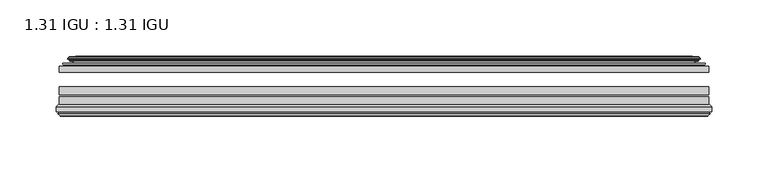
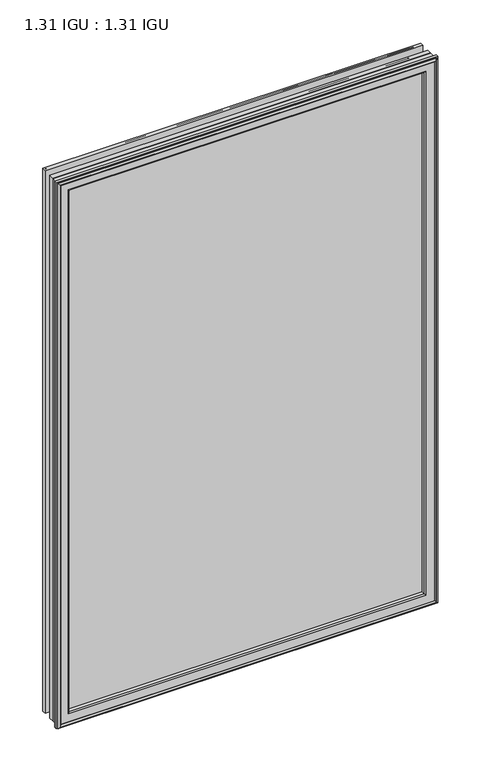
"""IFC4 building model written with IfcOpenShell, lengths in millimetres: plate geometry, 1.31 IGU : 1.31 IGU."""

from ifc_helpers import new_model, si_unit, frame, origin, place, context, project, spatial, polyline, ellipse_curve, outline, extrude, source, transform, mapped, element, save
from ifc_brep_helpers import plane_surface, cylinder_surface, revolved_surface, advanced_brep


def plate_1_31_igu_1_31_igu_8678c117(model_context):
    return source(origin(), model_context, "Body", "SolidModel", [
        extrude(outline(polyline([(287.3331075, -44.8960875), (287.3331075, -50.4332875), (-287.3380426, -50.4332875), (-287.3380426, -44.8960875), (287.3331075, -44.8960875)])), frame((0.0, 0.0, -14.2875), z_axis=(0.0, 0.0, 1.0), x_axis=(1.0, 0.0, 0.0)), (0.0, 0.0, 1.0), 873.1260851),
        extrude(outline(polyline([(-287.3380426, -78.7796875), (-287.3380426, -71.7692875), (287.3331075, -71.7692875), (287.3331075, -78.7796875), (-287.3380426, -78.7796875)])), frame((0.0, 0.0, -14.2875), z_axis=(0.0, 0.0, 1.0), x_axis=(1.0, 0.0, 0.0)), (0.0, 0.0, 1.0), 873.1260851),
        extrude(outline(polyline([(-287.3380426, -70.2452875), (-287.3380426, -63.1332875), (287.3331075, -63.1332875), (287.3331075, -70.2452875), (-287.3380426, -70.2452875)])), frame((0.0, 0.0, -14.2875), z_axis=(0.0, 0.0, 1.0), x_axis=(1.0, 0.0, 0.0)), (0.0, 0.0, 1.0), 873.1260851),
        advanced_brep(
        [(-277.992718, -37.7373382, 849.4932606), (-273.0510851, -36.3108875, 844.5516277), (-273.0510851, -36.3108875, -0.0005426), (-277.992718, -37.7373382, -4.9421755), (-277.8276127, -36.9605789, 849.3281553), (-277.8276127, -36.9605789, -4.7770702), (-278.4230984, -36.4771203, 849.923641), (-278.4230984, -36.4771203, -5.3725559), (-279.6877342, -37.766076, 851.1882768), (-279.6877342, -37.766076, -6.6371917), (-279.6769175, -38.8797852, 851.17746), (-279.6769175, -38.8797852, -6.6263749), (-278.3954323, -40.1361433, 849.8959748), (-278.3954323, -40.1361433, -5.3448897), (-277.7904254, -39.649943, 849.290968), (-277.7904254, -39.649943, -4.7398829), (-278.3444397, -39.0959287, 849.8449823), (-278.3444397, -39.0959287, -5.2938972), (-276.0586313, -38.7029881, 847.5591739), (-276.0586313, -38.7029881, -3.0080887), (-274.5995582, -40.2107282, 846.1001008), (-274.5995582, -40.2107282, -1.5490157), (-274.8961401, -41.651269, 846.3966827), (-274.8961401, -41.651269, -1.8455976), (-275.6673646, -42.2798875, 847.1679072), (-275.6673646, -42.2798875, -2.6168221), (-283.9713409, -43.4871542, 855.4718835), (-283.6961395, -42.2798875, 855.1966821), (-283.6961395, -42.2798875, -10.6455969), (-283.9713409, -43.4871542, -10.9207984), (-280.5137723, -44.8960875, 852.0143149), (-280.5137723, -44.8960875, -7.4632297), (-269.4161485, -44.023302, 840.9166911), (-269.7714864, -44.8960875, 841.272029), (-269.7714864, -44.8960875, 3.2790561), (-269.4161485, -44.023302, 3.6343941), (-270.0873465, -43.3681812, 841.5878891), (-270.0873465, -43.3681812, 2.963196), (-271.7281371, -40.6686056, 843.2286797), (-271.7281371, -40.6686056, 1.3224054), (273.0510851, -36.3108875, -0.0005426), (277.992718, -37.7373382, -4.9421755), (277.8276127, -36.9605789, -4.7770702), (278.4230984, -36.4771203, -5.3725559), (279.6877342, -37.766076, -6.6371917), (279.6769175, -38.8797852, -6.6263749), (278.3954323, -40.1361433, -5.3448897), (277.7904254, -39.649943, -4.7398829), (278.3444397, -39.0959287, -5.2938972), (276.0586313, -38.7029881, -3.0080887), (274.5995582, -40.2107282, -1.5490157), (274.8961401, -41.651269, -1.8455976), (275.6673646, -42.2798875, -2.6168221), (283.6961395, -42.2798875, -10.6455969), (283.9713409, -43.4871542, -10.9207984), (280.5137723, -44.8960875, -7.4632297), (269.7714864, -44.8960875, 3.2790561), (269.4161485, -44.023302, 3.6343941), (270.0873465, -43.3681812, 2.963196), (271.7281371, -40.6686056, 1.3224054), (273.0510851, -36.3108875, 844.5516277), (277.992718, -37.7373382, 849.4932606), (277.8276127, -36.9605789, 849.3281553), (278.4230984, -36.4771203, 849.923641), (279.6877342, -37.766076, 851.1882768), (279.6769175, -38.8797852, 851.17746), (278.3954323, -40.1361433, 849.8959748), (277.7904254, -39.649943, 849.290968), (278.3444397, -39.0959287, 849.8449823), (276.0586313, -38.7029881, 847.5591739), (274.5995582, -40.2107282, 846.1001008), (274.8961401, -41.651269, 846.3966827), (275.6673646, -42.2798875, 847.1679072), (283.6961395, -42.2798875, 855.1966821), (283.9713409, -43.4871542, 855.4718835), (280.5137723, -44.8960875, 852.0143149), (269.7714864, -44.8960875, 841.272029), (269.4161485, -44.023302, 840.9166911), (270.0873465, -43.3681812, 841.5878891), (271.7281371, -40.6686056, 843.2286797)],
        [
            (0, 1),
            (1, 2),
            (2, 3),
            (3, 0),
            (4, 0),
            (3, 5),
            (5, 4),
            (6, 4, ellipse_curve(frame((-278.1481297, -36.746901, 849.6486723), z_axis=(-0.7071067811865475, 0.0, -0.7071067811865475), x_axis=(-0.7071067811865474, 0.0, 0.7071067811865476)), 0.5447741, 0.3852135)),
            (5, 7, ellipse_curve(frame((-278.1481297, -36.746901, -5.0975871), z_axis=(-0.7071067811865475, 0.0, 0.7071067811865475), x_axis=(0.7071067811865474, 0.0, 0.7071067811865476)), 0.5447741, 0.3852135)),
            (7, 6),
            (8, 6),
            (7, 9),
            (9, 8),
            (10, 8, ellipse_curve(frame((-279.1256812, -38.3175243, 850.6262238), z_axis=(-0.7071067811865475, 0.0, -0.7071067811865475), x_axis=(-0.7071067811865474, 0.0, 0.7071067811865476)), 1.1135518, 0.7874)),
            (9, 11, ellipse_curve(frame((-279.1256812, -38.3175243, -6.0751387), z_axis=(-0.7071067811865475, 0.0, 0.7071067811865475), x_axis=(0.7071067811865474, 0.0, 0.7071067811865476)), 1.1135518, 0.7874)),
            (11, 10),
            (12, 10),
            (11, 13),
            (13, 12),
            (14, 12, ellipse_curve(frame((-278.1218348, -39.8570738, 849.6223773), z_axis=(-0.7071067811865475, 0.0, -0.7071067811865475), x_axis=(-0.7071067811865474, 0.0, 0.7071067811865476)), 0.552694, 0.3908137)),
            (13, 15, ellipse_curve(frame((-278.1218348, -39.8570738, -5.0712922), z_axis=(-0.7071067811865475, 0.0, 0.7071067811865475), x_axis=(0.7071067811865474, 0.0, 0.7071067811865476)), 0.552694, 0.3908137)),
            (15, 14),
            (16, 14),
            (15, 17),
            (17, 16),
            (18, 16),
            (17, 19),
            (19, 18),
            (20, 18, ellipse_curve(frame((-275.8434687, -39.954629, 847.3440112), z_axis=(0.7071067811865475, 0.0, 0.7071067811865475), x_axis=(0.7071067811865474, 0.0, -0.7071067811865476)), 1.7960512, 1.27)),
            (19, 21, ellipse_curve(frame((-275.8434687, -39.954629, -2.7929261), z_axis=(0.7071067811865475, 0.0, -0.7071067811865475), x_axis=(-0.7071067811865474, 0.0, -0.7071067811865476)), 1.7960512, 1.27)),
            (21, 20),
            (22, 20),
            (21, 23),
            (23, 22),
            (24, 22, ellipse_curve(frame((-275.6673646, -41.4924875, 847.1679072), z_axis=(0.7071067811865475, 0.0, 0.7071067811865475), x_axis=(0.7071067811865474, 0.0, -0.7071067811865476)), 1.1135518, 0.7874)),
            (23, 25, ellipse_curve(frame((-275.6673646, -41.4924875, -2.6168221), z_axis=(0.7071067811865475, 0.0, -0.7071067811865475), x_axis=(-0.7071067811865474, 0.0, -0.7071067811865476)), 1.1135518, 0.7874)),
            (25, 24),
            (26, 27, ellipse_curve(frame((-283.6961395, -42.9148875, 855.1966821), z_axis=(-0.7071067811865475, 0.0, -0.7071067811865475), x_axis=(-0.7071067811865474, 0.0, 0.7071067811865476)), 0.8980256, 0.635)),
            (27, 28),
            (28, 29, ellipse_curve(frame((-283.6961395, -42.9148875, -10.6455969), z_axis=(-0.7071067811865475, 0.0, 0.7071067811865475), x_axis=(0.7071067811865474, 0.0, 0.7071067811865476)), 0.8980256, 0.635)),
            (29, 26),
            (30, 26),
            (29, 31),
            (31, 30),
            (32, 33, ellipse_curve(frame((-269.7714864, -44.3873602, 841.272029), z_axis=(-0.7071067811865475, 0.0, -0.7071067811865475), x_axis=(-0.7071067811865474, 0.0, 0.7071067811865476)), 0.719449, 0.5087273)),
            (33, 34),
            (34, 35, ellipse_curve(frame((-269.7714864, -44.3873602, 3.2790561), z_axis=(-0.7071067811865475, 0.0, 0.7071067811865475), x_axis=(0.7071067811865474, 0.0, 0.7071067811865476)), 0.719449, 0.5087273)),
            (35, 32),
            (36, 32),
            (35, 37),
            (37, 36),
            (38, 36, ellipse_curve(frame((-265.6519723, -38.823959, 837.1525149), z_axis=(0.7071067811865475, 0.0, 0.7071067811865475), x_axis=(0.7071067811865474, 0.0, -0.7071067811865476)), 8.9802561, 6.35)),
            (37, 39, ellipse_curve(frame((-265.6519723, -38.823959, 7.3985702), z_axis=(0.7071067811865475, 0.0, -0.7071067811865475), x_axis=(-0.7071067811865474, 0.0, -0.7071067811865476)), 8.9802561, 6.35)),
            (39, 38),
            (1, 38),
            (39, 2),
            (2, 40),
            (40, 41),
            (41, 3),
            (41, 42),
            (42, 5),
            (42, 43, ellipse_curve(frame((278.1481297, -36.746901, -5.0975871), z_axis=(-0.7071067811865475, 0.0, -0.7071067811865475), x_axis=(-0.7071067811865476, 0.0, 0.7071067811865474)), 0.5447741, 0.3852135)),
            (43, 7),
            (43, 44),
            (44, 9),
            (44, 45, ellipse_curve(frame((279.1256812, -38.3175243, -6.0751387), z_axis=(-0.7071067811865475, 0.0, -0.7071067811865475), x_axis=(-0.7071067811865476, 0.0, 0.7071067811865474)), 1.1135518, 0.7874)),
            (45, 11),
            (45, 46),
            (46, 13),
            (46, 47, ellipse_curve(frame((278.1218348, -39.8570738, -5.0712922), z_axis=(-0.7071067811865475, 0.0, -0.7071067811865475), x_axis=(-0.7071067811865476, 0.0, 0.7071067811865474)), 0.552694, 0.3908137)),
            (47, 15),
            (47, 48),
            (48, 17),
            (48, 49),
            (49, 19),
            (49, 50, ellipse_curve(frame((275.8434687, -39.954629, -2.7929261), z_axis=(0.7071067811865475, 0.0, 0.7071067811865475), x_axis=(0.7071067811865476, 0.0, -0.7071067811865474)), 1.7960512, 1.27)),
            (50, 21),
            (50, 51),
            (51, 23),
            (51, 52, ellipse_curve(frame((275.6673646, -41.4924875, -2.6168221), z_axis=(0.7071067811865475, 0.0, 0.7071067811865475), x_axis=(0.7071067811865476, 0.0, -0.7071067811865474)), 1.1135518, 0.7874)),
            (52, 25),
            (28, 53),
            (53, 54, ellipse_curve(frame((283.6961395, -42.9148875, -10.6455969), z_axis=(-0.7071067811865475, 0.0, -0.7071067811865475), x_axis=(-0.7071067811865476, 0.0, 0.7071067811865474)), 0.8980256, 0.635)),
            (54, 29),
            (54, 55),
            (55, 31),
            (34, 56),
            (56, 57, ellipse_curve(frame((269.7714864, -44.3873602, 3.2790561), z_axis=(-0.7071067811865475, 0.0, -0.7071067811865475), x_axis=(-0.7071067811865476, 0.0, 0.7071067811865474)), 0.719449, 0.5087273)),
            (57, 35),
            (57, 58),
            (58, 37),
            (58, 59, ellipse_curve(frame((265.6519723, -38.823959, 7.3985702), z_axis=(0.7071067811865475, 0.0, 0.7071067811865475), x_axis=(0.7071067811865476, 0.0, -0.7071067811865474)), 8.9802561, 6.35)),
            (59, 39),
            (59, 40),
            (40, 60),
            (60, 61),
            (61, 41),
            (61, 62),
            (62, 42),
            (62, 63, ellipse_curve(frame((278.1481297, -36.746901, 849.6486723), z_axis=(0.7071067811865475, 0.0, -0.7071067811865475), x_axis=(-0.7071067811865474, 0.0, -0.7071067811865476)), 0.5447741, 0.3852135)),
            (63, 43),
            (63, 64),
            (64, 44),
            (64, 65, ellipse_curve(frame((279.1256812, -38.3175243, 850.6262238), z_axis=(0.7071067811865475, 0.0, -0.7071067811865475), x_axis=(-0.7071067811865474, 0.0, -0.7071067811865476)), 1.1135518, 0.7874)),
            (65, 45),
            (65, 66),
            (66, 46),
            (66, 67, ellipse_curve(frame((278.1218348, -39.8570738, 849.6223773), z_axis=(0.7071067811865475, 0.0, -0.7071067811865475), x_axis=(-0.7071067811865474, 0.0, -0.7071067811865476)), 0.552694, 0.3908137)),
            (67, 47),
            (67, 68),
            (68, 48),
            (68, 69),
            (69, 49),
            (69, 70, ellipse_curve(frame((275.8434687, -39.954629, 847.3440112), z_axis=(-0.7071067811865475, 0.0, 0.7071067811865475), x_axis=(0.7071067811865474, 0.0, 0.7071067811865476)), 1.7960512, 1.27)),
            (70, 50),
            (70, 71),
            (71, 51),
            (71, 72, ellipse_curve(frame((275.6673646, -41.4924875, 847.1679072), z_axis=(-0.7071067811865475, 0.0, 0.7071067811865475), x_axis=(0.7071067811865474, 0.0, 0.7071067811865476)), 1.1135518, 0.7874)),
            (72, 52),
            (53, 73),
            (73, 74, ellipse_curve(frame((283.6961395, -42.9148875, 855.1966821), z_axis=(0.7071067811865475, 0.0, -0.7071067811865475), x_axis=(-0.7071067811865474, 0.0, -0.7071067811865476)), 0.8980256, 0.635)),
            (74, 54),
            (74, 75),
            (75, 55),
            (56, 76),
            (76, 77, ellipse_curve(frame((269.7714864, -44.3873602, 841.272029), z_axis=(0.7071067811865475, 0.0, -0.7071067811865475), x_axis=(-0.7071067811865474, 0.0, -0.7071067811865476)), 0.719449, 0.5087273)),
            (77, 57),
            (77, 78),
            (78, 58),
            (78, 79, ellipse_curve(frame((265.6519723, -38.823959, 837.1525149), z_axis=(-0.7071067811865475, 0.0, 0.7071067811865475), x_axis=(0.7071067811865474, 0.0, 0.7071067811865476)), 8.9802561, 6.35)),
            (79, 59),
            (79, 60),
            (60, 1),
            (0, 61),
            (4, 62),
            (6, 63),
            (8, 64),
            (10, 65),
            (12, 66),
            (14, 67),
            (16, 68),
            (18, 69),
            (20, 70),
            (22, 71),
            (24, 72),
            (27, 73),
            (26, 74),
            (30, 75),
            (33, 76),
            (32, 77),
            (36, 78),
            (38, 79),
        ],
        [
            plane_surface(frame((-273.0510851, -36.3108875, 844.5516277), z_axis=(-0.2773364928492854, 0.9607728502273877, 0.0), x_axis=(0.0, 0.0, -1.0))),
            plane_surface(frame((-277.992718, -37.7373382, 849.4932606), z_axis=(0.9781476007338358, -0.20791169081761768, 0.0), x_axis=(0.0, 0.0, -1.0))),
            cylinder_surface(frame((-278.1481297, -36.746901, 876.3010851), z_axis=(0.0, 0.0, 1.0), x_axis=(-1.0, 0.0, 0.0)), 0.3852135),
            plane_surface(frame((-278.4230984, -36.4771203, 849.923641), z_axis=(-0.7138087599382162, 0.7003406701280928, 0.0), x_axis=(0.0, 0.0, -1.0))),
            cylinder_surface(frame((-279.1256812, -38.3175243, 876.3010851), z_axis=(0.0, 0.0, 1.0), x_axis=(-1.0, 0.0, 0.0)), 0.7874),
            plane_surface(frame((-279.6769175, -38.8797852, 851.17746), z_axis=(-0.7000714109283732, -0.7140728391423082, 0.0), x_axis=(0.0, 0.0, -1.0))),
            cylinder_surface(frame((-278.1218348, -39.8570738, 876.3010851), z_axis=(0.0, 0.0, 1.0), x_axis=(-1.0, 0.0, 0.0)), 0.3908137),
            plane_surface(frame((-277.7904254, -39.649943, 849.290968), z_axis=(0.7071067811861126, 0.7071067811869826, 0.0), x_axis=(0.0, 0.0, -1.0))),
            plane_surface(frame((-278.3444397, -39.0959287, 849.8449823), z_axis=(0.16941940671011485, -0.9855440449974789, 0.0), x_axis=(0.0, 0.0, -1.0))),
            revolved_surface(polyline([(-277.1134687, -39.954629, -4.0629260828783345), (-277.1134687, -39.954629, 848.6140111828782)]), (-275.8434687, -39.954629, 876.3010851), (0.0, 0.0, -1.0)),
            plane_surface(frame((-274.5995582, -40.2107282, 846.1001008), z_axis=(-0.9794570432566897, 0.201652920670302, 0.0), x_axis=(0.0, 0.0, -1.0))),
            revolved_surface(polyline([(-276.4547646, -41.4924875, -3.4042221289824965), (-276.4547646, -41.4924875, 847.9553072289824)]), (-275.6673646, -41.4924875, 876.3010851), (0.0, 0.0, -1.0)),
            cylinder_surface(frame((-283.6961395, -42.9148875, 876.3010851), z_axis=(0.0, 0.0, 1.0), x_axis=(-1.0, 0.0, 0.0)), 0.635),
            plane_surface(frame((-283.9713409, -43.4871542, 855.4718835), z_axis=(-0.37736447542757934, -0.9260648209954139, 0.0), x_axis=(0.0, 0.0, -1.0))),
            cylinder_surface(frame((-269.7714864, -44.3873602, 876.3010851), z_axis=(0.0, 0.0, 1.0), x_axis=(-1.0, 0.0, 0.0)), 0.5087273),
            plane_surface(frame((-269.4161485, -44.023302, 840.9166911), z_axis=(0.698484125849927, 0.7156255486884628, 0.0), x_axis=(0.0, 0.0, -1.0))),
            revolved_surface(polyline([(-272.00197230000003, -38.823959, 1.0485702148981773), (-272.00197230000003, -38.823959, 843.5025148851018)]), (-265.6519723, -38.823959, 876.3010851), (0.0, 0.0, -1.0)),
            plane_surface(frame((-271.7281371, -40.6686056, 843.2286797), z_axis=(0.9568763473517009, 0.2904955350411896, 0.0), x_axis=(0.0, 0.0, -1.0))),
            plane_surface(frame((-273.0510851, -36.3108875, -0.0005426), z_axis=(0.0, 0.9607728502273868, -0.2773364928492885), x_axis=(1.0, 0.0, 0.0))),
            plane_surface(frame((-277.992718, -37.7373382, -4.9421755), z_axis=(0.0, -0.20791169081761454, 0.9781476007338364), x_axis=(1.0, 0.0, 0.0))),
            cylinder_surface(frame((-304.8005426, -36.746901, -5.0975871), z_axis=(-1.0, 0.0, 0.0), x_axis=(0.0, 0.0, -1.0)), 0.3852135),
            plane_surface(frame((-278.4230984, -36.4771203, -5.3725559), z_axis=(0.0, 0.7003406701280904, -0.7138087599382185), x_axis=(1.0, 0.0, 0.0))),
            cylinder_surface(frame((-304.8005426, -38.3175243, -6.0751387), z_axis=(-1.0, 0.0, 0.0), x_axis=(0.0, 0.0, -1.0)), 0.7874),
            plane_surface(frame((-279.6769175, -38.8797852, -6.6263749), z_axis=(0.0, -0.7140728391423105, -0.7000714109283709), x_axis=(1.0, 0.0, 0.0))),
            cylinder_surface(frame((-304.8005426, -39.8570738, -5.0712922), z_axis=(-1.0, 0.0, 0.0), x_axis=(0.0, 0.0, -1.0)), 0.3908137),
            plane_surface(frame((-277.7904254, -39.649943, -4.7398829), z_axis=(0.0, 0.7071067811869849, 0.7071067811861103), x_axis=(1.0, 0.0, 0.0))),
            plane_surface(frame((-278.3444397, -39.0959287, -5.2938972), z_axis=(0.0, -0.9855440449974784, 0.16941940671011801), x_axis=(1.0, 0.0, 0.0))),
            revolved_surface(polyline([(277.11346868287836, -39.954629, -4.0629261), (-277.11346868287825, -39.954629, -4.0629261)]), (-304.8005426, -39.954629, -2.7929261), (1.0, 0.0, 0.0)),
            plane_surface(frame((-274.5995582, -40.2107282, -1.5490157), z_axis=(0.0, 0.20165292067029883, -0.9794570432566904), x_axis=(1.0, 0.0, 0.0))),
            revolved_surface(polyline([(276.45476462898245, -41.4924875, -3.4042220999999997), (-276.45476462898245, -41.4924875, -3.4042220999999997)]), (-304.8005426, -41.4924875, -2.6168221), (1.0, 0.0, 0.0)),
            cylinder_surface(frame((-304.8005426, -42.9148875, -10.6455969), z_axis=(-1.0, 0.0, 0.0), x_axis=(0.0, 0.0, -1.0)), 0.635),
            plane_surface(frame((-283.9713409, -43.4871542, -10.9207984), z_axis=(0.0, -0.9260648209954151, -0.37736447542757634), x_axis=(1.0, 0.0, 0.0))),
            cylinder_surface(frame((-304.8005426, -44.3873602, 3.2790561), z_axis=(-1.0, 0.0, 0.0), x_axis=(0.0, 0.0, -1.0)), 0.5087273),
            plane_surface(frame((-269.4161485, -44.023302, 3.6343941), z_axis=(0.0, 0.7156255486884651, 0.6984841258499247), x_axis=(1.0, 0.0, 0.0))),
            revolved_surface(polyline([(272.0019722851019, -38.823959, 1.0485702000000003), (-272.0019722851019, -38.823959, 1.0485702000000003)]), (-304.8005426, -38.823959, 7.3985702), (1.0, 0.0, 0.0)),
            plane_surface(frame((-271.7281371, -40.6686056, 1.3224054), z_axis=(0.0, 0.29049553504119263, 0.9568763473517), x_axis=(1.0, 0.0, 0.0))),
            plane_surface(frame((273.0510851, -36.3108875, -0.0005426), z_axis=(0.2773364928492916, 0.9607728502273859, 0.0), x_axis=(0.0, 0.0, 1.0))),
            plane_surface(frame((277.992718, -37.7373382, -4.9421755), z_axis=(-0.9781476007338371, -0.2079116908176114, 0.0), x_axis=(0.0, 0.0, 1.0))),
            cylinder_surface(frame((278.1481297, -36.746901, -31.75), z_axis=(0.0, 0.0, -1.0), x_axis=(1.0, 0.0, 0.0)), 0.3852135),
            plane_surface(frame((278.4230984, -36.4771203, -5.3725559), z_axis=(0.7138087599382208, 0.7003406701280882, 0.0), x_axis=(0.0, 0.0, 1.0))),
            cylinder_surface(frame((279.1256812, -38.3175243, -31.75), z_axis=(0.0, 0.0, -1.0), x_axis=(1.0, 0.0, 0.0)), 0.7874),
            plane_surface(frame((279.6769175, -38.8797852, -6.6263749), z_axis=(0.7000714109283687, -0.7140728391423128, 0.0), x_axis=(0.0, 0.0, 1.0))),
            cylinder_surface(frame((278.1218348, -39.8570738, -31.75), z_axis=(0.0, 0.0, -1.0), x_axis=(1.0, 0.0, 0.0)), 0.3908137),
            plane_surface(frame((277.7904254, -39.649943, -4.7398829), z_axis=(-0.7071067811861079, 0.7071067811869872, 0.0), x_axis=(0.0, 0.0, 1.0))),
            plane_surface(frame((278.3444397, -39.0959287, -5.2938972), z_axis=(-0.16941940671012118, -0.9855440449974778, 0.0), x_axis=(0.0, 0.0, 1.0))),
            revolved_surface(polyline([(277.1134687, -39.954629, 848.6140111828782), (277.1134687, -39.954629, -4.062926082878235)]), (275.8434687, -39.954629, -31.75), (0.0, 0.0, 1.0)),
            plane_surface(frame((274.5995582, -40.2107282, -1.5490157), z_axis=(0.979457043256691, 0.20165292067029567, 0.0), x_axis=(0.0, 0.0, 1.0))),
            revolved_surface(polyline([(276.4547646, -41.4924875, 847.9553072289824), (276.4547646, -41.4924875, -3.404222128982486)]), (275.6673646, -41.4924875, -31.75), (0.0, 0.0, 1.0)),
            cylinder_surface(frame((283.6961395, -42.9148875, -31.75), z_axis=(0.0, 0.0, -1.0), x_axis=(1.0, 0.0, 0.0)), 0.635),
            plane_surface(frame((283.9713409, -43.4871542, -10.9207984), z_axis=(0.37736447542757334, -0.9260648209954163, 0.0), x_axis=(0.0, 0.0, 1.0))),
            cylinder_surface(frame((269.7714864, -44.3873602, -31.75), z_axis=(0.0, 0.0, -1.0), x_axis=(1.0, 0.0, 0.0)), 0.5087273),
            plane_surface(frame((269.4161485, -44.023302, 3.6343941), z_axis=(-0.6984841258499224, 0.7156255486884673, 0.0), x_axis=(0.0, 0.0, 1.0))),
            revolved_surface(polyline([(272.00197230000003, -38.823959, 843.5025148851018), (272.00197230000003, -38.823959, 1.0485702148981417)]), (265.6519723, -38.823959, -31.75), (0.0, 0.0, 1.0)),
            plane_surface(frame((271.7281371, -40.6686056, 1.3224054), z_axis=(-0.9568763473516991, 0.2904955350411957, 0.0), x_axis=(0.0, 0.0, 1.0))),
            plane_surface(frame((273.0510851, -36.3108875, 844.5516277), z_axis=(0.0, 0.9607728502273868, 0.2773364928492885), x_axis=(-1.0, 0.0, 0.0))),
            plane_surface(frame((277.992718, -37.7373382, 849.4932606), z_axis=(0.0, -0.20791169081761454, -0.9781476007338364), x_axis=(-1.0, 0.0, 0.0))),
            cylinder_surface(frame((304.8005426, -36.746901, 849.6486723), z_axis=(1.0, 0.0, 0.0), x_axis=(0.0, 0.0, 1.0)), 0.3852135),
            plane_surface(frame((278.4230984, -36.4771203, 849.923641), z_axis=(0.0, 0.7003406701280904, 0.7138087599382185), x_axis=(-1.0, 0.0, 0.0))),
            cylinder_surface(frame((304.8005426, -38.3175243, 850.6262238), z_axis=(1.0, 0.0, 0.0), x_axis=(0.0, 0.0, 1.0)), 0.7874),
            plane_surface(frame((279.6769175, -38.8797852, 851.17746), z_axis=(0.0, -0.7140728391423106, 0.700071410928371), x_axis=(-1.0, 0.0, 0.0))),
            cylinder_surface(frame((304.8005426, -39.8570738, 849.6223773), z_axis=(1.0, 0.0, 0.0), x_axis=(0.0, 0.0, 1.0)), 0.3908137),
            plane_surface(frame((277.7904254, -39.649943, 849.290968), z_axis=(0.0, 0.7071067811869849, -0.7071067811861103), x_axis=(-1.0, 0.0, 0.0))),
            plane_surface(frame((278.3444397, -39.0959287, 849.8449823), z_axis=(0.0, -0.9855440449974784, -0.16941940671011801), x_axis=(-1.0, 0.0, 0.0))),
            revolved_surface(polyline([(-277.11346868287836, -39.954629, 848.6140111999999), (277.11346868287825, -39.954629, 848.6140111999999)]), (304.8005426, -39.954629, 847.3440112), (-1.0, 0.0, 0.0)),
            plane_surface(frame((274.5995582, -40.2107282, 846.1001008), z_axis=(0.0, 0.20165292067029883, 0.9794570432566904), x_axis=(-1.0, 0.0, 0.0))),
            revolved_surface(polyline([(-276.45476462898245, -41.4924875, 847.9553072), (276.45476462898245, -41.4924875, 847.9553072)]), (304.8005426, -41.4924875, 847.1679072), (-1.0, 0.0, 0.0)),
            plane_surface(frame((275.6673646, -42.2798875, 847.1679072), z_axis=(0.0, 1.0, 0.0), x_axis=(-1.0, 0.0, 0.0))),
            cylinder_surface(frame((304.8005426, -42.9148875, 855.1966821), z_axis=(1.0, 0.0, 0.0), x_axis=(0.0, 0.0, 1.0)), 0.635),
            plane_surface(frame((283.9713409, -43.4871542, 855.4718835), z_axis=(0.0, -0.9260648209954151, 0.37736447542757634), x_axis=(-1.0, 0.0, 0.0))),
            plane_surface(frame((280.5137723, -44.8960875, 852.0143149), z_axis=(0.0, -1.0, 0.0), x_axis=(-1.0, 0.0, 0.0))),
            cylinder_surface(frame((304.8005426, -44.3873602, 841.272029), z_axis=(1.0, 0.0, 0.0), x_axis=(0.0, 0.0, 1.0)), 0.5087273),
            plane_surface(frame((269.4161485, -44.023302, 840.9166911), z_axis=(0.0, 0.7156255486884651, -0.6984841258499247), x_axis=(-1.0, 0.0, 0.0))),
            revolved_surface(polyline([(-272.0019722851019, -38.823959, 843.5025149), (272.0019722851019, -38.823959, 843.5025149)]), (304.8005426, -38.823959, 837.1525149), (-1.0, 0.0, 0.0)),
            plane_surface(frame((271.7281371, -40.6686056, 843.2286797), z_axis=(0.0, 0.29049553504119263, -0.9568763473517), x_axis=(-1.0, 0.0, 0.0))),
        ],
        [
            (0, [[1, 2, 3, 4]]),
            (1, [[5, -4, 6, 7]]),
            (2, [[8, -7, 9, 10]]),
            (3, [[11, -10, 12, 13]]),
            (4, [[14, -13, 15, 16]]),
            (5, [[17, -16, 18, 19]]),
            (6, [[20, -19, 21, 22]]),
            (7, [[23, -22, 24, 25]]),
            (8, [[26, -25, 27, 28]]),
            (9, [[29, -28, 30, 31]]),
            (10, [[32, -31, 33, 34]]),
            (11, [[35, -34, 36, 37]]),
            (12, [[38, 39, 40, 41]]),
            (13, [[42, -41, 43, 44]]),
            (14, [[45, 46, 47, 48]]),
            (15, [[49, -48, 50, 51]]),
            (16, [[52, -51, 53, 54]]),
            (17, [[55, -54, 56, -2]]),
            (18, [[-3, 57, 58, 59]]),
            (19, [[-6, -59, 60, 61]]),
            (20, [[-9, -61, 62, 63]]),
            (21, [[-12, -63, 64, 65]]),
            (22, [[-15, -65, 66, 67]]),
            (23, [[-18, -67, 68, 69]]),
            (24, [[-21, -69, 70, 71]]),
            (25, [[-24, -71, 72, 73]]),
            (26, [[-27, -73, 74, 75]]),
            (27, [[-30, -75, 76, 77]]),
            (28, [[-33, -77, 78, 79]]),
            (29, [[-36, -79, 80, 81]]),
            (30, [[-40, 82, 83, 84]]),
            (31, [[-43, -84, 85, 86]]),
            (32, [[-47, 87, 88, 89]]),
            (33, [[-50, -89, 90, 91]]),
            (34, [[-53, -91, 92, 93]]),
            (35, [[-56, -93, 94, -57]]),
            (36, [[-58, 95, 96, 97]]),
            (37, [[-60, -97, 98, 99]]),
            (38, [[-62, -99, 100, 101]]),
            (39, [[-64, -101, 102, 103]]),
            (40, [[-66, -103, 104, 105]]),
            (41, [[-68, -105, 106, 107]]),
            (42, [[-70, -107, 108, 109]]),
            (43, [[-72, -109, 110, 111]]),
            (44, [[-74, -111, 112, 113]]),
            (45, [[-76, -113, 114, 115]]),
            (46, [[-78, -115, 116, 117]]),
            (47, [[-80, -117, 118, 119]]),
            (48, [[-83, 120, 121, 122]]),
            (49, [[-85, -122, 123, 124]]),
            (50, [[-88, 125, 126, 127]]),
            (51, [[-90, -127, 128, 129]]),
            (52, [[-92, -129, 130, 131]]),
            (53, [[-94, -131, 132, -95]]),
            (54, [[-96, 133, -1, 134]]),
            (55, [[-98, -134, -5, 135]]),
            (56, [[-100, -135, -8, 136]]),
            (57, [[-102, -136, -11, 137]]),
            (58, [[-104, -137, -14, 138]]),
            (59, [[-106, -138, -17, 139]]),
            (60, [[-108, -139, -20, 140]]),
            (61, [[-110, -140, -23, 141]]),
            (62, [[-112, -141, -26, 142]]),
            (63, [[-114, -142, -29, 143]]),
            (64, [[-116, -143, -32, 144]]),
            (65, [[-118, -144, -35, 145]]),
            (66, [[146, -120, -82, -39], [-81, -119, -145, -37]]),
            (67, [[-121, -146, -38, 147]]),
            (68, [[-123, -147, -42, 148]]),
            (69, [[-86, -124, -148, -44], [149, -125, -87, -46]]),
            (70, [[-126, -149, -45, 150]]),
            (71, [[-128, -150, -49, 151]]),
            (72, [[-130, -151, -52, 152]]),
            (73, [[-132, -152, -55, -133]]),
        ],
    ),
        advanced_brep(
        [(-270.3629919, -83.3389875, 841.8635345), (-272.1380581, -85.1296875, 843.6386006), (-272.1380581, -85.1296875, 0.9124845), (-270.3629919, -83.3389875, 2.6875506), (-269.3397827, -78.7796875, 840.8403253), (-269.3397827, -78.7796875, 3.7107599), (-289.9204917, -80.9740477, 861.4210342), (-287.7261314, -78.7796875, 859.226674), (-287.7261314, -78.7796875, -14.6755889), (-289.9204917, -80.9740477, -16.8699491), (-289.9204917, -85.1296875, 861.4210342), (-289.9204917, -85.1296875, -16.8699491), (-287.3954315, -86.3747112, 858.895974), (-288.1466585, -85.1296875, 859.647201), (-288.1466585, -85.1296875, -15.0961159), (-287.3954315, -86.3747112, -14.3448889), (-287.0859024, -87.6502863, 858.5864449), (-287.0859024, -87.6502863, -14.0353598), (-288.1040158, -87.2076396, 859.6045583), (-288.1040158, -87.2076396, -15.0534732), (-286.4170264, -88.8840626, 857.917569), (-288.8987258, -87.2076396, 860.3992684), (-288.8987258, -87.2076396, -15.8481832), (-286.4170264, -88.8840626, -13.3664838), (-284.265201, -86.9401656, 855.7657436), (-284.265201, -86.9401656, -11.2146584), (-285.9725552, -87.5528811, 857.4730977), (-285.046774, -86.9401656, 856.5473166), (-285.046774, -86.9401656, -11.9962314), (-285.9725552, -87.5528811, -12.9220126), (-285.8892298, -86.2429356, 857.3897724), (-285.8892298, -86.2429356, -12.8386873), (-285.2909918, -85.1296875, 856.7915344), (-285.2909918, -85.1296875, -12.2404492), (272.1380581, -85.1296875, 0.9124845), (270.3629919, -83.3389875, 2.6875506), (269.3397827, -78.7796875, 3.7107599), (287.7261314, -78.7796875, -14.6755889), (289.9204917, -80.9740477, -16.8699491), (289.9204917, -85.1296875, -16.8699491), (288.1466585, -85.1296875, -15.0961159), (287.3954315, -86.3747112, -14.3448889), (287.0859024, -87.6502863, -14.0353598), (288.1040158, -87.2076396, -15.0534732), (288.8987258, -87.2076396, -15.8481832), (286.4170264, -88.8840626, -13.3664838), (284.265201, -86.9401656, -11.2146584), (285.046774, -86.9401656, -11.9962314), (285.9725552, -87.5528811, -12.9220126), (285.8892298, -86.2429356, -12.8386873), (285.2909918, -85.1296875, -12.2404492), (272.1380581, -85.1296875, 843.6386006), (270.3629919, -83.3389875, 841.8635345), (269.3397827, -78.7796875, 840.8403253), (287.7261314, -78.7796875, 859.226674), (289.9204917, -80.9740477, 861.4210342), (289.9204917, -85.1296875, 861.4210342), (288.1466585, -85.1296875, 859.647201), (287.3954315, -86.3747112, 858.895974), (287.0859024, -87.6502863, 858.5864449), (288.1040158, -87.2076396, 859.6045583), (288.8987258, -87.2076396, 860.3992684), (286.4170264, -88.8840626, 857.917569), (284.265201, -86.9401656, 855.7657436), (285.046774, -86.9401656, 856.5473166), (285.9725552, -87.5528811, 857.4730977), (285.8892298, -86.2429356, 857.3897724), (285.2909918, -85.1296875, 856.7915344)],
        [
            (0, 1, ellipse_curve(frame((-272.3894931, -83.1053133, 843.8900356), z_axis=(-0.7071067811865475, 0.0, -0.7071067811865475), x_axis=(-0.7071067811865474, 0.0, 0.7071067811865476)), 2.8848953, 2.039929)),
            (1, 2),
            (2, 3, ellipse_curve(frame((-272.3894931, -83.1053133, 0.6610495), z_axis=(-0.7071067811865475, 0.0, 0.7071067811865475), x_axis=(0.7071067811865474, 0.0, 0.7071067811865476)), 2.8848953, 2.039929)),
            (3, 0),
            (4, 0),
            (3, 5),
            (5, 4),
            (6, 7),
            (7, 8),
            (8, 9),
            (9, 6),
            (10, 6),
            (9, 11),
            (11, 10),
            (12, 13),
            (13, 14),
            (14, 15),
            (15, 12),
            (16, 12),
            (15, 17),
            (17, 16),
            (18, 16),
            (17, 19),
            (19, 18),
            (20, 21),
            (21, 22),
            (22, 23),
            (23, 20),
            (24, 20),
            (23, 25),
            (25, 24),
            (26, 27),
            (27, 28),
            (28, 29),
            (29, 26),
            (30, 26),
            (29, 31),
            (31, 30),
            (32, 30),
            (31, 33),
            (33, 32),
            (2, 34),
            (34, 35, ellipse_curve(frame((272.3894931, -83.1053133, 0.6610495), z_axis=(-0.7071067811865475, 0.0, -0.7071067811865475), x_axis=(-0.7071067811865476, 0.0, 0.7071067811865474)), 2.8848953, 2.039929)),
            (35, 3),
            (35, 36),
            (36, 5),
            (8, 37),
            (37, 38),
            (38, 9),
            (38, 39),
            (39, 11),
            (14, 40),
            (40, 41),
            (41, 15),
            (41, 42),
            (42, 17),
            (42, 43),
            (43, 19),
            (22, 44),
            (44, 45),
            (45, 23),
            (45, 46),
            (46, 25),
            (28, 47),
            (47, 48),
            (48, 29),
            (48, 49),
            (49, 31),
            (49, 50),
            (50, 33),
            (34, 51),
            (51, 52, ellipse_curve(frame((272.3894931, -83.1053133, 843.8900356), z_axis=(0.7071067811865475, 0.0, -0.7071067811865475), x_axis=(-0.7071067811865474, 0.0, -0.7071067811865476)), 2.8848953, 2.039929)),
            (52, 35),
            (52, 53),
            (53, 36),
            (37, 54),
            (54, 55),
            (55, 38),
            (55, 56),
            (56, 39),
            (40, 57),
            (57, 58),
            (58, 41),
            (58, 59),
            (59, 42),
            (59, 60),
            (60, 43),
            (44, 61),
            (61, 62),
            (62, 45),
            (62, 63),
            (63, 46),
            (47, 64),
            (64, 65),
            (65, 48),
            (65, 66),
            (66, 49),
            (66, 67),
            (67, 50),
            (51, 1),
            (0, 52),
            (4, 53),
            (7, 54),
            (6, 55),
            (10, 56),
            (13, 57),
            (12, 58),
            (16, 59),
            (18, 60),
            (21, 61),
            (20, 62),
            (24, 63),
            (27, 64),
            (26, 65),
            (30, 66),
            (32, 67),
        ],
        [
            cylinder_surface(frame((-272.3894931, -83.1053133, 876.3010851), z_axis=(0.0, 0.0, 1.0), x_axis=(-1.0, 0.0, 0.0)), 2.039929),
            plane_surface(frame((-270.3629919, -83.3389875, 841.8635345), z_axis=(0.9757302952562701, -0.21897577701451848, 0.0), x_axis=(0.0, 0.0, -1.0))),
            plane_surface(frame((-287.7261314, -78.7796875, 859.226674), z_axis=(-0.7071067811871722, 0.7071067811859229, 0.0), x_axis=(0.0, 0.0, -1.0))),
            plane_surface(frame((-289.9204917, -80.9740477, 861.4210342), z_axis=(-1.0, 0.0, 0.0), x_axis=(0.0, 0.0, -1.0))),
            plane_surface(frame((-288.1466585, -85.1296875, 859.647201), z_axis=(-0.8562121193263807, -0.516624434883434, 0.0), x_axis=(0.0, 0.0, -1.0))),
            plane_surface(frame((-287.3954315, -86.3747112, 858.895974), z_axis=(-0.9717979666139347, -0.23581499546259124, 0.0), x_axis=(0.0, 0.0, -1.0))),
            plane_surface(frame((-287.0859024, -87.6502863, 858.5864449), z_axis=(0.3987175451776161, 0.9170737806564615, 0.0), x_axis=(0.0, 0.0, -1.0))),
            plane_surface(frame((-288.8987258, -87.2076396, 860.3992684), z_axis=(-0.5597655002239059, -0.8286510633306884, 0.0), x_axis=(0.0, 0.0, -1.0))),
            plane_surface(frame((-286.4170264, -88.8840626, 857.917569), z_axis=(0.6703456526761111, -0.7420489916024674, 0.0), x_axis=(0.0, 0.0, -1.0))),
            plane_surface(frame((-285.046774, -86.9401656, 856.5473166), z_axis=(-0.5519083205498945, 0.8339047941508642, 0.0), x_axis=(0.0, 0.0, -1.0))),
            plane_surface(frame((-285.9725552, -87.5528811, 857.4730977), z_axis=(0.9979830161114805, -0.06348148984572212, 0.0), x_axis=(0.0, 0.0, -1.0))),
            plane_surface(frame((-285.8892298, -86.2429356, 857.3897724), z_axis=(0.8808682216207324, -0.47336157019632297, 0.0), x_axis=(0.0, 0.0, -1.0))),
            cylinder_surface(frame((-304.8005426, -83.1053133, 0.6610495), z_axis=(-1.0, 0.0, 0.0), x_axis=(0.0, 0.0, -1.0)), 2.039929),
            plane_surface(frame((-270.3629919, -83.3389875, 2.6875506), z_axis=(0.0, -0.21897577701451534, 0.9757302952562708), x_axis=(1.0, 0.0, 0.0))),
            plane_surface(frame((-287.7261314, -78.7796875, -14.6755889), z_axis=(0.0, 0.7071067811859205, -0.7071067811871745), x_axis=(1.0, 0.0, 0.0))),
            plane_surface(frame((-289.9204917, -80.9740477, -16.8699491), z_axis=(0.0, 0.0, -1.0), x_axis=(1.0, 0.0, 0.0))),
            plane_surface(frame((-288.1466585, -85.1296875, -15.0961159), z_axis=(0.0, -0.5166244348834368, -0.8562121193263791), x_axis=(1.0, 0.0, 0.0))),
            plane_surface(frame((-287.3954315, -86.3747112, -14.3448889), z_axis=(0.0, -0.23581499546259438, -0.9717979666139339), x_axis=(1.0, 0.0, 0.0))),
            plane_surface(frame((-287.0859024, -87.6502863, -14.0353598), z_axis=(0.0, 0.9170737806564628, 0.39871754517761315), x_axis=(1.0, 0.0, 0.0))),
            plane_surface(frame((-288.8987258, -87.2076396, -15.8481832), z_axis=(0.0, -0.8286510633306902, -0.5597655002239033), x_axis=(1.0, 0.0, 0.0))),
            plane_surface(frame((-286.4170264, -88.8840626, -13.3664838), z_axis=(0.0, -0.7420489916024653, 0.6703456526761136), x_axis=(1.0, 0.0, 0.0))),
            plane_surface(frame((-285.046774, -86.9401656, -11.9962314), z_axis=(0.0, 0.8339047941508624, -0.5519083205498971), x_axis=(1.0, 0.0, 0.0))),
            plane_surface(frame((-285.9725552, -87.5528811, -12.9220126), z_axis=(0.0, -0.0634814898457189, 0.9979830161114808), x_axis=(1.0, 0.0, 0.0))),
            plane_surface(frame((-285.8892298, -86.2429356, -12.8386873), z_axis=(0.0, -0.47336157019632014, 0.880868221620734), x_axis=(1.0, 0.0, 0.0))),
            cylinder_surface(frame((272.3894931, -83.1053133, -31.75), z_axis=(0.0, 0.0, -1.0), x_axis=(1.0, 0.0, 0.0)), 2.039929),
            plane_surface(frame((270.3629919, -83.3389875, 2.6875506), z_axis=(-0.9757302952562714, -0.2189757770145122, 0.0), x_axis=(0.0, 0.0, 1.0))),
            plane_surface(frame((287.7261314, -78.7796875, -14.6755889), z_axis=(0.7071067811871768, 0.7071067811859182, 0.0), x_axis=(0.0, 0.0, 1.0))),
            plane_surface(frame((289.9204917, -80.9740477, -16.8699491), z_axis=(1.0, 0.0, 0.0), x_axis=(0.0, 0.0, 1.0))),
            plane_surface(frame((288.1466585, -85.1296875, -15.0961159), z_axis=(0.8562121193263774, -0.5166244348834396, 0.0), x_axis=(0.0, 0.0, 1.0))),
            plane_surface(frame((287.3954315, -86.3747112, -14.3448889), z_axis=(0.9717979666139331, -0.23581499546259752, 0.0), x_axis=(0.0, 0.0, 1.0))),
            plane_surface(frame((287.0859024, -87.6502863, -14.0353598), z_axis=(-0.3987175451776102, 0.9170737806564642, 0.0), x_axis=(0.0, 0.0, 1.0))),
            plane_surface(frame((288.8987258, -87.2076396, -15.8481832), z_axis=(0.5597655002239006, -0.8286510633306919, 0.0), x_axis=(0.0, 0.0, 1.0))),
            plane_surface(frame((286.4170264, -88.8840626, -13.3664838), z_axis=(-0.6703456526761159, -0.7420489916024631, 0.0), x_axis=(0.0, 0.0, 1.0))),
            plane_surface(frame((285.046774, -86.9401656, -11.9962314), z_axis=(0.5519083205498998, 0.8339047941508606, 0.0), x_axis=(0.0, 0.0, 1.0))),
            plane_surface(frame((285.9725552, -87.5528811, -12.9220126), z_axis=(-0.997983016111481, -0.06348148984571568, 0.0), x_axis=(0.0, 0.0, 1.0))),
            plane_surface(frame((285.8892298, -86.2429356, -12.8386873), z_axis=(-0.8808682216207355, -0.4733615701963173, 0.0), x_axis=(0.0, 0.0, 1.0))),
            cylinder_surface(frame((304.8005426, -83.1053133, 843.8900356), z_axis=(1.0, 0.0, 0.0), x_axis=(0.0, 0.0, 1.0)), 2.039929),
            plane_surface(frame((270.3629919, -83.3389875, 841.8635345), z_axis=(0.0, -0.21897577701451534, -0.9757302952562708), x_axis=(-1.0, 0.0, 0.0))),
            plane_surface(frame((269.3397827, -78.7796875, 840.8403253), z_axis=(0.0, 1.0, 0.0), x_axis=(-1.0, 0.0, 0.0))),
            plane_surface(frame((287.7261314, -78.7796875, 859.226674), z_axis=(0.0, 0.7071067811859205, 0.7071067811871745), x_axis=(-1.0, 0.0, 0.0))),
            plane_surface(frame((289.9204917, -80.9740477, 861.4210342), z_axis=(0.0, 0.0, 1.0), x_axis=(-1.0, 0.0, 0.0))),
            plane_surface(frame((289.9204917, -85.1296875, 861.4210342), z_axis=(0.0, -1.0, 0.0), x_axis=(-1.0, 0.0, 0.0))),
            plane_surface(frame((288.1466585, -85.1296875, 859.647201), z_axis=(0.0, -0.5166244348834368, 0.8562121193263791), x_axis=(-1.0, 0.0, 0.0))),
            plane_surface(frame((287.3954315, -86.3747112, 858.895974), z_axis=(0.0, -0.23581499546259438, 0.9717979666139339), x_axis=(-1.0, 0.0, 0.0))),
            plane_surface(frame((287.0859024, -87.6502863, 858.5864449), z_axis=(0.0, 0.9170737806564628, -0.39871754517761315), x_axis=(-1.0, 0.0, 0.0))),
            plane_surface(frame((288.1040158, -87.2076396, 859.6045583), z_axis=(0.0, 1.0, 0.0), x_axis=(-1.0, 0.0, 0.0))),
            plane_surface(frame((288.8987258, -87.2076396, 860.3992684), z_axis=(0.0, -0.8286510633306902, 0.5597655002239033), x_axis=(-1.0, 0.0, 0.0))),
            plane_surface(frame((286.4170264, -88.8840626, 857.917569), z_axis=(0.0, -0.7420489916024652, -0.6703456526761135), x_axis=(-1.0, 0.0, 0.0))),
            plane_surface(frame((284.265201, -86.9401656, 855.7657436), z_axis=(0.0, 1.0, 0.0), x_axis=(-1.0, 0.0, 0.0))),
            plane_surface(frame((285.046774, -86.9401656, 856.5473166), z_axis=(0.0, 0.8339047941508624, 0.5519083205498971), x_axis=(-1.0, 0.0, 0.0))),
            plane_surface(frame((285.9725552, -87.5528811, 857.4730977), z_axis=(0.0, -0.0634814898457189, -0.9979830161114808), x_axis=(-1.0, 0.0, 0.0))),
            plane_surface(frame((285.8892298, -86.2429356, 857.3897724), z_axis=(0.0, -0.47336157019632014, -0.880868221620734), x_axis=(-1.0, 0.0, 0.0))),
            plane_surface(frame((285.2909918, -85.1296875, 856.7915344), z_axis=(0.0, -1.0, 0.0), x_axis=(-1.0, 0.0, 0.0))),
        ],
        [
            (0, [[1, 2, 3, 4]]),
            (1, [[5, -4, 6, 7]]),
            (2, [[8, 9, 10, 11]]),
            (3, [[12, -11, 13, 14]]),
            (4, [[15, 16, 17, 18]]),
            (5, [[19, -18, 20, 21]]),
            (6, [[22, -21, 23, 24]]),
            (7, [[25, 26, 27, 28]]),
            (8, [[29, -28, 30, 31]]),
            (9, [[32, 33, 34, 35]]),
            (10, [[36, -35, 37, 38]]),
            (11, [[39, -38, 40, 41]]),
            (12, [[-3, 42, 43, 44]]),
            (13, [[-6, -44, 45, 46]]),
            (14, [[-10, 47, 48, 49]]),
            (15, [[-13, -49, 50, 51]]),
            (16, [[-17, 52, 53, 54]]),
            (17, [[-20, -54, 55, 56]]),
            (18, [[-23, -56, 57, 58]]),
            (19, [[-27, 59, 60, 61]]),
            (20, [[-30, -61, 62, 63]]),
            (21, [[-34, 64, 65, 66]]),
            (22, [[-37, -66, 67, 68]]),
            (23, [[-40, -68, 69, 70]]),
            (24, [[-43, 71, 72, 73]]),
            (25, [[-45, -73, 74, 75]]),
            (26, [[-48, 76, 77, 78]]),
            (27, [[-50, -78, 79, 80]]),
            (28, [[-53, 81, 82, 83]]),
            (29, [[-55, -83, 84, 85]]),
            (30, [[-57, -85, 86, 87]]),
            (31, [[-60, 88, 89, 90]]),
            (32, [[-62, -90, 91, 92]]),
            (33, [[-65, 93, 94, 95]]),
            (34, [[-67, -95, 96, 97]]),
            (35, [[-69, -97, 98, 99]]),
            (36, [[-72, 100, -1, 101]]),
            (37, [[-74, -101, -5, 102]]),
            (38, [[103, -76, -47, -9], [-46, -75, -102, -7]]),
            (39, [[-77, -103, -8, 104]]),
            (40, [[-79, -104, -12, 105]]),
            (41, [[-51, -80, -105, -14], [106, -81, -52, -16]]),
            (42, [[-82, -106, -15, 107]]),
            (43, [[-84, -107, -19, 108]]),
            (44, [[-86, -108, -22, 109]]),
            (45, [[110, -88, -59, -26], [-58, -87, -109, -24]]),
            (46, [[-89, -110, -25, 111]]),
            (47, [[-91, -111, -29, 112]]),
            (48, [[113, -93, -64, -33], [-63, -92, -112, -31]]),
            (49, [[-94, -113, -32, 114]]),
            (50, [[-96, -114, -36, 115]]),
            (51, [[-98, -115, -39, 116]]),
            (52, [[-70, -99, -116, -41], [-100, -71, -42, -2]]),
        ],
    ),
    ])


if __name__ == "__main__":
    model = new_model("IFC4")
    model_context = context("Model", 3, world=origin())
    ifc_project = project(units=[si_unit("LENGTHUNIT", "METRE", prefix="MILLI")], contexts=[model_context])
    site = spatial("IfcSite", under=ifc_project)
    building = spatial("IfcBuilding", under=site)
    placement = place(None, origin())
    plate_1_31_igu_1_31_igu_shape = plate_1_31_igu_1_31_igu_8678c117(model_context)
    element("IfcPlate", 1, ObjectType="1.31 IGU : 1.31 IGU", at=placement, inside=building, context=model_context, shape_type="MappedRepresentation", body=[
        mapped(plate_1_31_igu_1_31_igu_shape, transform((0.0, 0.0, 0.0), x_axis=(1.0, 0.0, 0.0), y_axis=(0.0, 1.0, 0.0), z_axis=(0.0, 0.0, 1.0))),
    ])
    save(model, "model.ifc")
